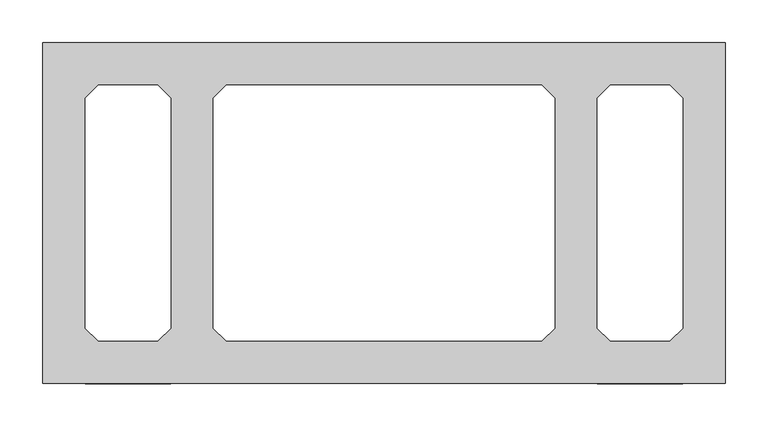
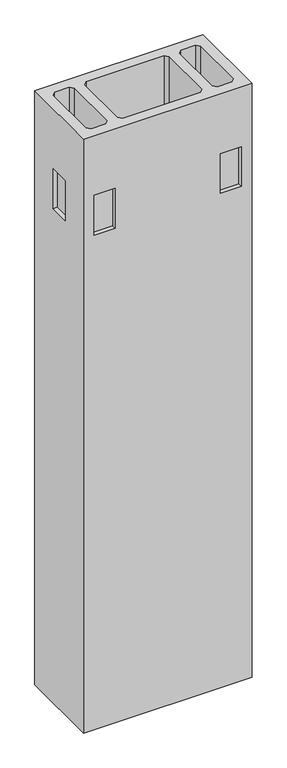
"""IFC4 building model written with IfcOpenShell, lengths in millimetres: proxy geometry."""

from ifc_helpers import new_model, si_unit, origin, place, context, project, spatial, faceted_brep, source, transform, mapped, element, save


def specialty_equipment_0c0e97f8(model_context):
    return source(origin(), model_context, "Body", "Brep", [
        faceted_brep([(-400.0, -200.0, 2980.0), (400.0, -200.0, 2980.0), (400.0, 200.0, 2980.0), (-400.0, 200.0, 2980.0), (-335.0, 150.0, 2980.0), (-265.0, 150.0, 2980.0), (-250.0, 135.0, 2980.0), (-250.0, -135.0, 2980.0), (-265.0, -150.0, 2980.0), (-335.0, -150.0, 2980.0), (-350.0, -135.0, 2980.0), (-350.0, 135.0, 2980.0), (-185.0, 150.0, 2980.0), (185.0, 150.0, 2980.0), (200.0, 135.0, 2980.0), (200.0, -135.0, 2980.0), (185.0, -150.0, 2980.0), (-185.0, -150.0, 2980.0), (-200.0, -135.0, 2980.0), (-200.0, 135.0, 2980.0), (265.0, 150.0, 2980.0), (335.0, 150.0, 2980.0), (350.0, 135.0, 2980.0), (350.0, -135.0, 2980.0), (335.0, -150.0, 2980.0), (265.0, -150.0, 2980.0), (250.0, -135.0, 2980.0), (250.0, 135.0, 2980.0), (-400.0, -200.0, 0.0), (-400.0, 200.0, 0.0), (400.0, 200.0, 0.0), (400.0, -200.0, 0.0), (-335.0, 150.0, 0.0), (-350.0, 135.0, 0.0), (-350.0, -135.0, 0.0), (-335.0, -150.0, 0.0), (-265.0, -150.0, 0.0), (-250.0, -135.0, 0.0), (-250.0, 135.0, 0.0), (-265.0, 150.0, 0.0), (-185.0, 150.0, 0.0), (-200.0, 135.0, 0.0), (-200.0, -135.0, 0.0), (-185.0, -150.0, 0.0), (185.0, -150.0, 0.0), (200.0, -135.0, 0.0), (200.0, 135.0, 0.0), (185.0, 150.0, 0.0), (265.0, 150.0, 0.0), (250.0, 135.0, 0.0), (250.0, -135.0, 0.0), (265.0, -150.0, 0.0), (335.0, -150.0, 0.0), (350.0, -135.0, 0.0), (350.0, 135.0, 0.0), (335.0, 150.0, 0.0), (-250.0, -200.0, 2680.0), (-250.0, -200.0, 2480.0), (-350.0, -200.0, 2480.0), (-350.0, -200.0, 2680.0), (250.0, -200.0, 2480.0), (250.0, -200.0, 2680.0), (350.0, -200.0, 2680.0), (350.0, -200.0, 2480.0), (400.0, -50.0, 2480.0), (400.0, -50.0, 2680.0), (400.0, 50.0, 2680.0), (400.0, 50.0, 2480.0), (-250.0, 200.0, 2480.0), (-250.0, 200.0, 2680.0), (-350.0, 200.0, 2680.0), (-350.0, 200.0, 2480.0), (250.0, 200.0, 2680.0), (250.0, 200.0, 2480.0), (350.0, 200.0, 2480.0), (350.0, 200.0, 2680.0), (-400.0, -50.0, 2680.0), (-400.0, -50.0, 2480.0), (-400.0, 50.0, 2480.0), (-400.0, 50.0, 2680.0), (-250.0, 180.0, 2680.0), (-250.0, 180.0, 2480.0), (-350.0, 180.0, 2480.0), (-350.0, 180.0, 2680.0), (250.0, 180.0, 2680.0), (350.0, 180.0, 2680.0), (350.0, 180.0, 2480.0), (250.0, 180.0, 2480.0), (-250.0, -180.0, 2680.0), (-350.0, -180.0, 2680.0), (-350.0, -180.0, 2480.0), (-250.0, -180.0, 2480.0), (250.0, -180.0, 2680.0), (250.0, -180.0, 2480.0), (350.0, -180.0, 2480.0), (350.0, -180.0, 2680.0), (-380.0, -50.0, 2680.0), (-380.0, 50.0, 2680.0), (-380.0, 50.0, 2480.0), (-380.0, -50.0, 2480.0), (380.0, -50.0, 2680.0), (380.0, -50.0, 2480.0), (380.0, 50.0, 2480.0), (380.0, 50.0, 2680.0)], [[[0, 1, 2, 3], [4, 5, 6, 7, 8, 9, 10, 11], [12, 13, 14, 15, 16, 17, 18, 19], [20, 21, 22, 23, 24, 25, 26, 27]], [[28, 29, 30, 31], [32, 33, 34, 35, 36, 37, 38, 39], [40, 41, 42, 43, 44, 45, 46, 47], [48, 49, 50, 51, 52, 53, 54, 55]], [[1, 0, 28, 31], [56, 57, 58, 59], [60, 61, 62, 63]], [[2, 1, 31, 30], [64, 65, 66, 67]], [[3, 2, 30, 29], [68, 69, 70, 71], [72, 73, 74, 75]], [[0, 3, 29, 28], [76, 77, 78, 79]], [[5, 4, 32, 39]], [[6, 5, 39, 38]], [[7, 6, 38, 37]], [[8, 7, 37, 36]], [[9, 8, 36, 35]], [[10, 9, 35, 34]], [[11, 10, 34, 33]], [[4, 11, 33, 32]], [[13, 12, 40, 47]], [[14, 13, 47, 46]], [[15, 14, 46, 45]], [[16, 15, 45, 44]], [[17, 16, 44, 43]], [[18, 17, 43, 42]], [[19, 18, 42, 41]], [[12, 19, 41, 40]], [[21, 20, 48, 55]], [[22, 21, 55, 54]], [[23, 22, 54, 53]], [[24, 23, 53, 52]], [[25, 24, 52, 51]], [[26, 25, 51, 50]], [[27, 26, 50, 49]], [[20, 27, 49, 48]], [[80, 81, 82, 83]], [[81, 80, 69, 68]], [[82, 81, 68, 71]], [[83, 82, 71, 70]], [[80, 83, 70, 69]], [[84, 85, 86, 87]], [[84, 87, 73, 72]], [[87, 86, 74, 73]], [[86, 85, 75, 74]], [[85, 84, 72, 75]], [[88, 89, 90, 91]], [[88, 91, 57, 56]], [[91, 90, 58, 57]], [[90, 89, 59, 58]], [[89, 88, 56, 59]], [[92, 93, 94, 95]], [[93, 92, 61, 60]], [[94, 93, 60, 63]], [[95, 94, 63, 62]], [[92, 95, 62, 61]], [[96, 97, 98, 99]], [[96, 99, 77, 76]], [[99, 98, 78, 77]], [[98, 97, 79, 78]], [[97, 96, 76, 79]], [[100, 101, 102, 103]], [[101, 100, 65, 64]], [[102, 101, 64, 67]], [[103, 102, 67, 66]], [[100, 103, 66, 65]]]),
    ])


if __name__ == "__main__":
    model = new_model("IFC4")
    model_context = context("Model", 3, world=origin())
    ifc_project = project(units=[si_unit("LENGTHUNIT", "METRE", prefix="MILLI")], contexts=[model_context])
    site = spatial("IfcSite", under=ifc_project)
    building = spatial("IfcBuilding", under=site)
    placement = place(None, origin())
    specialty_equipment_shape = specialty_equipment_0c0e97f8(model_context)
    element("IfcBuildingElementProxy", 1, Name="Specialty Equipment", at=placement, inside=building, context=model_context, shape_type="MappedRepresentation", body=[
        mapped(specialty_equipment_shape, transform((0.0, 0.0, 0.0), x_axis=(1.0, 0.0, 0.0), y_axis=(0.0, 1.0, 0.0), z_axis=(0.0, 0.0, 1.0))),
    ])
    save(model, "model.ifc")
